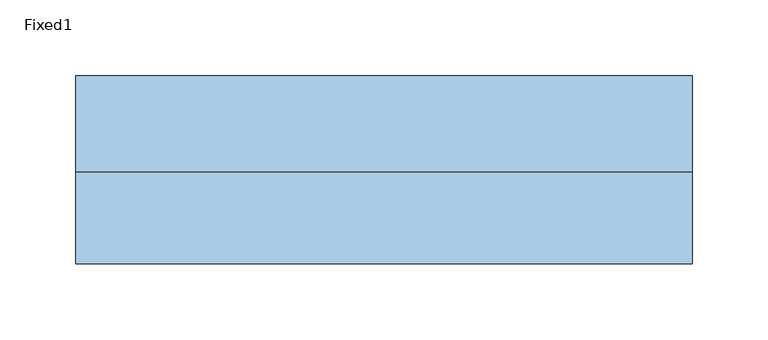
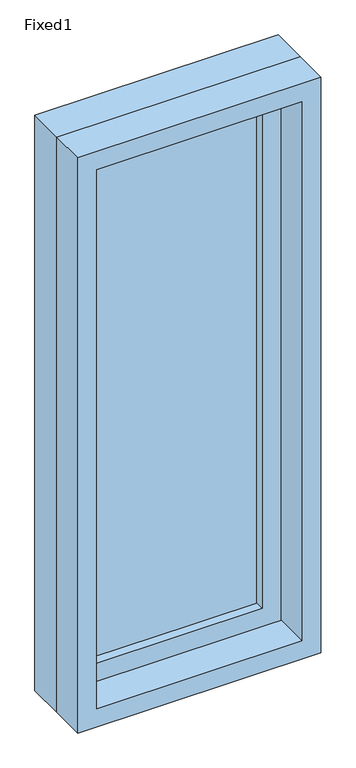
"""IFC4 building model written with IfcOpenShell, lengths in millimetres: window geometry, Fixed1."""

from ifc_helpers import new_model, si_unit, frame, origin, place, context, project, spatial, polyline, outline, extrude, source, transform, mapped, element, save


def fixed1_64fce18d(model_context):
    return source(origin(), model_context, "Body", "SweptSolid", [
        extrude(outline(polyline([(101.6, 14.2875), (-177.8, 14.2875), (-177.8, 26.9875), (101.6, 26.9875), (101.6, 14.2875)])), frame((0.0, 0.0, 1130.3), z_axis=(0.0, 0.0, 1.0), x_axis=(1.0, 0.0, 0.0)), (0.0, 0.0, 1.0), 889.0),
        extrude(outline(polyline([(2063.75, -222.25), (1085.85, -222.25), (1085.85, 146.05), (2063.75, 146.05), (2063.75, -222.25)]), holes=[polyline([(2019.3, -177.8), (2019.3, 101.6), (1130.3, 101.6), (1130.3, -177.8), (2019.3, -177.8)])]), frame((0.0, -1.5875, 0.0), z_axis=(0.0, 1.0, 0.0), x_axis=(0.0, 0.0, 1.0)), (0.0, 0.0, 1.0), 44.45),
        extrude(outline(polyline([(2082.8, -241.3), (1066.8, -241.3), (1066.8, 165.1), (2082.8, 165.1), (2082.8, -241.3)]), holes=[polyline([(2051.05, -209.55), (2051.05, 133.35), (1098.55, 133.35), (1098.55, -209.55), (2051.05, -209.55)])]), frame((0.0, -61.9125, 0.0), z_axis=(0.0, 1.0, 0.0), x_axis=(0.0, 0.0, 1.0)), (0.0, 0.0, 1.0), 60.325),
        extrude(outline(polyline([(2082.8, 165.1), (2082.8, -241.3), (1066.8, -241.3), (1066.8, 165.1), (2082.8, 165.1)]), holes=[polyline([(2063.75, 146.05), (1085.85, 146.05), (1085.85, -222.25), (2063.75, -222.25), (2063.75, 146.05)])]), frame((0.0, -1.5875, 0.0), z_axis=(0.0, 1.0, 0.0), x_axis=(0.0, 0.0, 1.0)), (0.0, 0.0, 1.0), 63.5),
    ])


if __name__ == "__main__":
    model = new_model("IFC4")
    model_context = context("Model", 3, world=origin())
    ifc_project = project(units=[si_unit("LENGTHUNIT", "METRE", prefix="MILLI")], contexts=[model_context])
    site = spatial("IfcSite", under=ifc_project)
    building = spatial("IfcBuilding", under=site)
    placement = place(None, origin())
    fixed1_shape = fixed1_64fce18d(model_context)
    element("IfcWindow", 1, ObjectType="Fixed1", at=placement, inside=building, context=model_context, shape_type="MappedRepresentation", body=[
        mapped(fixed1_shape, transform((0.0, 0.0, 0.0), x_axis=(1.0, 0.0, 0.0), y_axis=(0.0, 1.0, 0.0), z_axis=(0.0, 0.0, 1.0))),
    ])
    save(model, "model.ifc")
